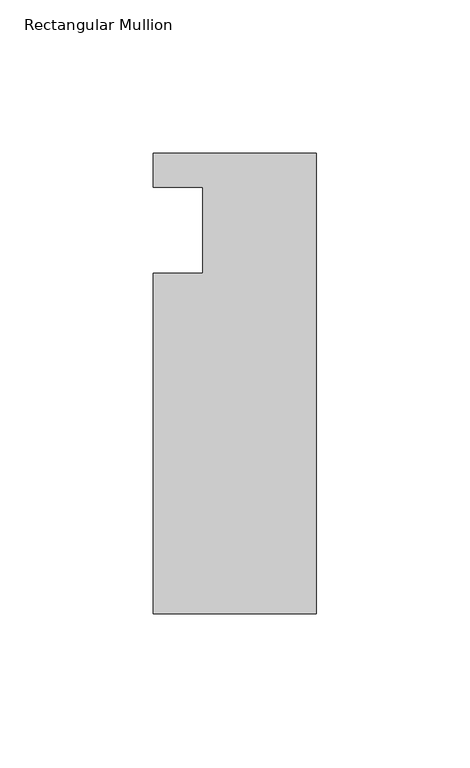
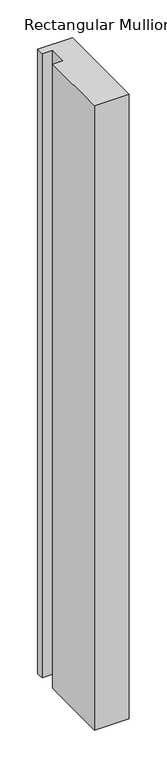
"""IFC4 building model written with IfcOpenShell, lengths in millimetres: member geometry, Rectangular Mullion."""

from ifc_helpers import new_model, si_unit, frame, origin, place, context, project, spatial, polyline, outline, extrude, source, transform, mapped, element, save


def rectangular_mullion_f3568563(model_context):
    return source(origin(), model_context, "Body", "SweptSolid", [
        extrude(outline(polyline([(-37.0, -14.0), (-37.0, 14.0), (-53.0, 14.0), (-53.0, 25.0), (0.0, 25.0), (0.0, -125.0), (-53.0, -125.0), (-53.0, -14.0), (-37.0, -14.0)])), frame((0.0, 0.0, -1006.6595328), z_axis=(0.0, 0.0, 1.0), x_axis=(1.0, 0.0, 0.0)), (0.0, 0.0, 1.0), 1006.6595328),
    ])


if __name__ == "__main__":
    model = new_model("IFC4")
    model_context = context("Model", 3, world=origin())
    ifc_project = project(units=[si_unit("LENGTHUNIT", "METRE", prefix="MILLI")], contexts=[model_context])
    site = spatial("IfcSite", under=ifc_project)
    building = spatial("IfcBuilding", under=site)
    placement = place(None, origin())
    rectangular_mullion_shape = rectangular_mullion_f3568563(model_context)
    element("IfcMember", 1, ObjectType="Rectangular Mullion", at=placement, inside=building, context=model_context, shape_type="MappedRepresentation", body=[
        mapped(rectangular_mullion_shape, transform((0.0, 0.0, 0.0), x_axis=(1.0, 0.0, 0.0), y_axis=(0.0, 1.0, 0.0), z_axis=(0.0, 0.0, 1.0))),
    ])
    save(model, "model.ifc")
